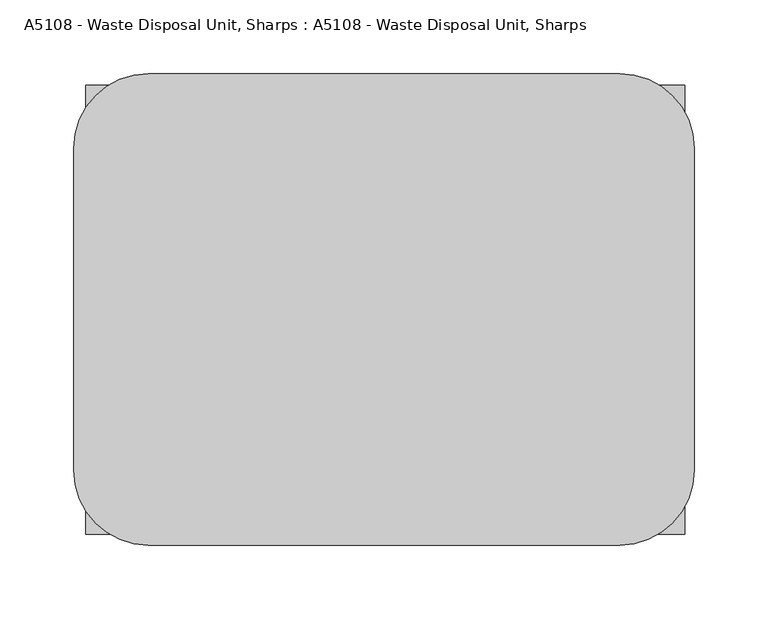
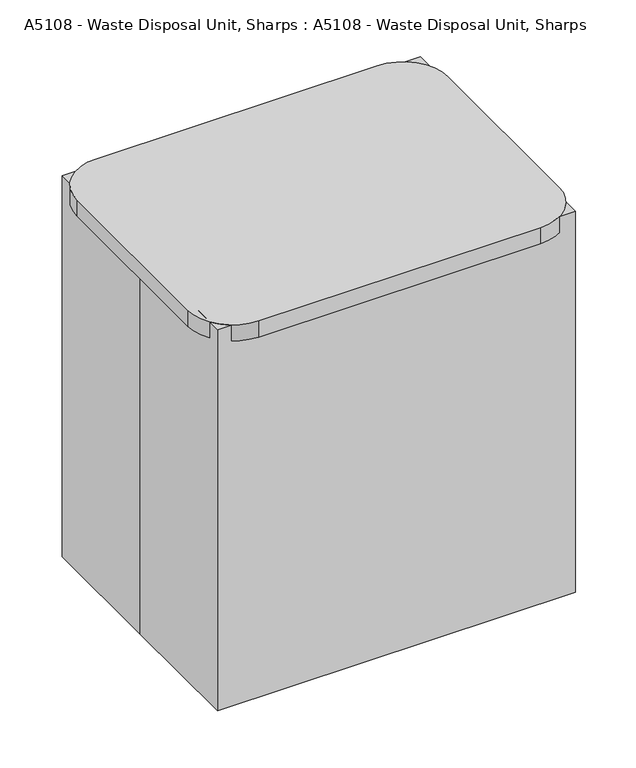
"""IFC4 building model written with IfcOpenShell, lengths in millimetres: proxy geometry, A5108 - Waste Disposal Unit, Sharps : A5108 - Waste Disposal Unit, Sharps."""

from ifc_helpers import new_model, si_unit, point, frame, frame_2d, origin, origin_with_axes, place, context, project, spatial, polyline, circle_curve, trimmed, segment, composite_curve, outline, extrude, source, transform, mapped, element, save
from ifc_brep_helpers import plane_surface, spline_surface, advanced_brep


def a5108_waste_disposal_unit_sharps_a5108_waste_disposal_unit_e3dd660a(model_context):
    return source(origin(), model_context, "Body", "SolidModel", [
        extrude(outline(composite_curve([segment(trimmed(circle_curve(frame_2d((159.003917, 109.5639811)), 50.8), [point((159.003917, 160.3639811))], [point((209.803917, 109.5639811))], False, "CARTESIAN"), True, "CONTINUOUS"), segment(polyline([(209.803917, 109.5639811), (209.803917, -108.8679249)]), True, "CONTINUOUS"), segment(trimmed(circle_curve(frame_2d((159.003917, -108.8679249)), 50.8), [point((209.803917, -108.8679249))], [point((159.003917, -159.6679249))], False, "CARTESIAN"), True, "CONTINUOUS"), segment(polyline([(159.003917, -159.6679249), (-160.7733941, -159.6679249)]), True, "CONTINUOUS"), segment(trimmed(circle_curve(frame_2d((-160.7733941, -108.8679249)), 50.8), [point((-160.7733941, -159.6679249))], [point((-211.5733941, -108.8679249))], False, "CARTESIAN"), True, "CONTINUOUS"), segment(polyline([(-211.5733941, -108.8679249), (-211.5733941, 109.5639811)]), True, "CONTINUOUS"), segment(trimmed(circle_curve(frame_2d((-160.7733941, 109.5639811)), 50.8), [point((-211.5733941, 109.5639811))], [point((-160.7733941, 160.3639811))], False, "CARTESIAN"), True, "CONTINUOUS"), segment(polyline([(-160.7733941, 160.3639811), (159.003917, 160.3639811)]), True, "CONTINUOUS")], self_intersect=False)), frame((0.0, 0.0, 437.8974387), z_axis=(0.0, 0.0, 1.0), x_axis=(1.0, 0.0, 0.0)), (0.0, 0.0, 1.0), 19.3025613),
        advanced_brep(
        [(141.0040588, 113.3386173, 0.0), (166.4040588, 87.9386173, 0.0), (166.4040588, -76.2, 0.0), (141.0040588, -101.6, 0.0), (-145.3589273, -101.6, 0.0), (-170.7589273, -76.2, 0.0), (-170.7589273, 87.9386173, 0.0), (-145.3589273, 113.3386173, 0.0), (152.4, 152.4, 437.8974387), (-152.4, 152.4, 437.8974387), (-203.2, 101.6, 437.8974387), (-203.2, -101.6, 437.8974387), (-152.4, -152.4, 437.8974387), (152.4, -152.4, 437.8974387), (203.2, -101.6, 437.8974387), (203.2, 101.6, 437.8974387)],
        [
            (0, 1, circle_curve(frame((141.0040588, 87.9386173, 0.0), z_axis=(0.0, 0.0, -1.0), x_axis=(1.0, 0.0, 0.0)), 25.4)),
            (1, 2),
            (2, 3, circle_curve(frame((141.0040588, -76.2, 0.0), z_axis=(0.0, 0.0, -1.0), x_axis=(1.0, 0.0, 0.0)), 25.4)),
            (3, 4),
            (4, 5, circle_curve(frame((-145.3589273, -76.2, 0.0), z_axis=(0.0, 0.0, -1.0), x_axis=(1.0, 0.0, 0.0)), 25.4)),
            (5, 6),
            (6, 7, circle_curve(frame((-145.3589273, 87.9386173, 0.0), z_axis=(0.0, 0.0, -1.0), x_axis=(1.0, 0.0, 0.0)), 25.4)),
            (7, 0),
            (8, 9),
            (9, 10, circle_curve(frame((-152.4, 101.6, 437.8974387), z_axis=(0.0, 0.0, 1.0), x_axis=(1.0, 0.0, 0.0)), 50.8)),
            (10, 11),
            (11, 12, circle_curve(frame((-152.4, -101.6, 437.8974387), z_axis=(0.0, 0.0, 1.0), x_axis=(1.0, 0.0, 0.0)), 50.8)),
            (12, 13),
            (13, 14, circle_curve(frame((152.4, -101.6, 437.8974387), z_axis=(0.0, 0.0, 1.0), x_axis=(1.0, 0.0, 0.0)), 50.8)),
            (14, 15),
            (15, 8, circle_curve(frame((152.4, 101.6, 437.8974387), z_axis=(0.0, 0.0, 1.0), x_axis=(1.0, 0.0, 0.0)), 50.8)),
            (8, 0),
            (7, 9),
            (6, 10),
            (5, 11),
            (4, 12),
            (3, 13),
            (2, 14),
            (1, 15),
        ],
        [
            plane_surface(frame((-2.1774343, 5.8693086, 0.0), z_axis=(0.0, 0.0, -1.0), x_axis=(-1.0, 0.0, 0.0))),
            plane_surface(frame((0.0, 0.0, 437.8974387), z_axis=(0.0, 0.0, 1.0), x_axis=(-1.0, 0.0, 0.0))),
            plane_surface(frame((0.0, 152.4, 437.8974387), z_axis=(0.0, 0.9960450767748678, -0.08884933895391632), x_axis=(1.0, 0.0, 0.0))),
            spline_surface(2, 1, [[(-203.2, 101.6, 437.8974387), (-170.7589273, 87.9386173, 0.0)], [(-203.19999999999996, 152.39999999999998, 437.8974387), (-170.75892729999998, 113.33861730000001, 0.0)], [(-152.4, 152.4, 437.8974387), (-145.3589273, 113.3386173, 0.0)]], [3, 3], [2, 2], [0.0, 1.0], [0.0, 1.0], weights=[[1.0, 1.0], [0.7071067811865478, 0.7071067811865478], [1.0, 1.0]]),
            plane_surface(frame((-203.2, 0.0, 437.8974387), z_axis=(-0.9972670455010029, 0.0, -0.07388125579401594), x_axis=(0.0, 1.0, 0.0))),
            spline_surface(2, 1, [[(-152.4, -152.4, 437.8974387), (-145.3589273, -101.6, 0.0)], [(-203.20000000000002, -152.40000000000003, 437.8974387), (-170.75892729999998, -101.60000000000001, 0.0)], [(-203.2, -101.6, 437.8974387), (-170.7589273, -76.2, 0.0)]], [3, 3], [2, 2], [0.0, 1.0], [0.0, 1.0], weights=[[1.0, 1.0], [0.7071067811865474, 0.7071067811865474], [1.0, 1.0]]),
            plane_surface(frame((0.0, -152.4, 437.8974387), z_axis=(0.0, -0.9933381345616705, -0.11523606391030766), x_axis=(-1.0, 0.0, 0.0))),
            spline_surface(2, 1, [[(203.2, -101.6, 437.8974387), (166.4040588, -76.2, 0.0)], [(203.19999999999996, -152.39999999999998, 437.8974387), (166.40405879999997, -101.60000000000001, 0.0)], [(152.4, -152.4, 437.8974387), (141.0040588, -101.6, 0.0)]], [3, 3], [2, 2], [0.0, 1.0], [0.0, 1.0], weights=[[1.0, 1.0], [0.7071067811865478, 0.7071067811865478], [1.0, 1.0]]),
            plane_surface(frame((203.2, 0.0, 437.8974387), z_axis=(0.9964881773157944, 0.0, -0.08373358029993602), x_axis=(0.0, -1.0, 0.0))),
            spline_surface(2, 1, [[(152.4, 152.4, 437.8974387), (141.0040588, 113.3386173, 0.0)], [(203.20000000000002, 152.40000000000003, 437.8974387), (166.40405879999997, 113.33861730000001, 0.0)], [(203.2, 101.6, 437.8974387), (166.4040588, 87.9386173, 0.0)]], [3, 3], [2, 2], [0.0, 1.0], [0.0, 1.0], weights=[[1.0, 1.0], [0.7071067811865474, 0.7071067811865474], [1.0, 1.0]]),
        ],
        [
            (0, [[1, 2, 3, 4, 5, 6, 7, 8]]),
            (1, [[9, 10, 11, 12, 13, 14, 15, 16]]),
            (2, [[-9, 17, -8, 18]]),
            (3, [[-10, -18, -7, 19]]),
            (4, [[-11, -19, -6, 20]]),
            (5, [[-12, -20, -5, 21]]),
            (6, [[-13, -21, -4, 22]]),
            (7, [[-14, -22, -3, 23]]),
            (8, [[-15, -23, -2, 24]]),
            (9, [[-16, -24, -1, -17]]),
        ],
    ),
        extrude(outline(polyline([(-203.2, 152.4), (203.2, 152.4), (203.2, -152.4), (-203.2, -152.4), (-203.2, 0.0), (-203.2, 152.4)])), origin_with_axes(), (0.0, 0.0, 1.0), 457.2),
    ])


if __name__ == "__main__":
    model = new_model("IFC4")
    model_context = context("Model", 3, world=origin())
    ifc_project = project(units=[si_unit("LENGTHUNIT", "METRE", prefix="MILLI")], contexts=[model_context])
    site = spatial("IfcSite", under=ifc_project)
    building = spatial("IfcBuilding", under=site)
    placement = place(None, origin())
    a5108_waste_disposal_unit_sharps_a5108_waste_disposal_unit_shape = a5108_waste_disposal_unit_sharps_a5108_waste_disposal_unit_e3dd660a(model_context)
    element("IfcBuildingElementProxy", 1, Name="A5108 - Waste Disposal Unit, Sharps : A5108 - Waste Disposal Unit, Sharps", ObjectType="A5108 - Waste Disposal Unit, Sharps : A5108 - Waste Disposal Unit, Sharps", at=placement, inside=building, context=model_context, shape_type="MappedRepresentation", body=[
        mapped(a5108_waste_disposal_unit_sharps_a5108_waste_disposal_unit_shape, transform((0.0, 0.0, 0.0), x_axis=(1.0, 0.0, 0.0), y_axis=(0.0, 1.0, 0.0), z_axis=(0.0, 0.0, 1.0))),
    ])
    save(model, "model.ifc")
